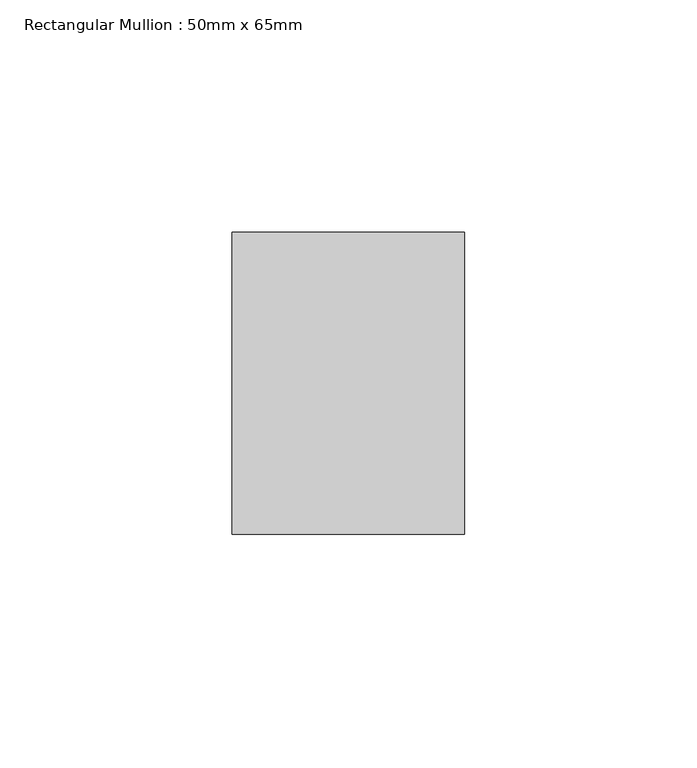
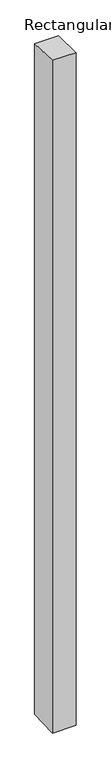
"""IFC4 building model written with IfcOpenShell, lengths in millimetres: member geometry, Rectangular Mullion : 50mm x 65mm."""

from ifc_helpers import new_model, si_unit, origin, place, context, project, spatial, faceted_brep, source, transform, mapped, element, save


def rectangular_mullion_50mm_x_65mm_b7cae430(model_context):
    return source(origin(), model_context, "Body", "Brep", [
        faceted_brep([(-25.0, 32.5, -1.1419553), (25.0, 32.5, -1.1419462), (25.0, 32.5, -1498.5320241), (-25.0, 32.5, -1498.5320125), (-25.0, -32.5, 1.1419462), (-25.0, -32.5, -1501.4673638), (25.0, -32.5, 1.1419553), (25.0, -32.5, -1501.4673755)], [[[0, 1, 2, 3]], [[4, 0, 3, 5]], [[6, 4, 5, 7]], [[1, 6, 7, 2]], [[1, 0, 4, 6]], [[2, 7, 5, 3]]]),
    ])


if __name__ == "__main__":
    model = new_model("IFC4")
    model_context = context("Model", 3, world=origin())
    ifc_project = project(units=[si_unit("LENGTHUNIT", "METRE", prefix="MILLI")], contexts=[model_context])
    site = spatial("IfcSite", under=ifc_project)
    building = spatial("IfcBuilding", under=site)
    placement = place(None, origin())
    rectangular_mullion_50mm_x_65mm_shape = rectangular_mullion_50mm_x_65mm_b7cae430(model_context)
    element("IfcMember", 1, ObjectType="Rectangular Mullion : 50mm x 65mm", at=placement, inside=building, context=model_context, shape_type="MappedRepresentation", body=[
        mapped(rectangular_mullion_50mm_x_65mm_shape, transform((0.0, 0.0, 0.0), x_axis=(1.0, 0.0, 0.0), y_axis=(0.0, 1.0, 0.0), z_axis=(0.0, 0.0, 1.0))),
    ])
    save(model, "model.ifc")
